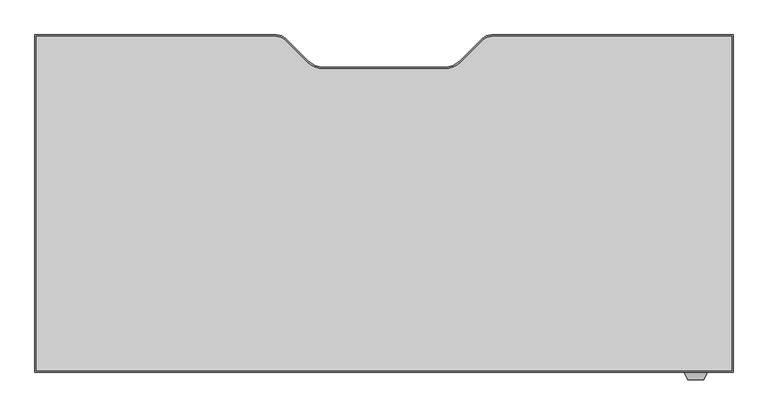
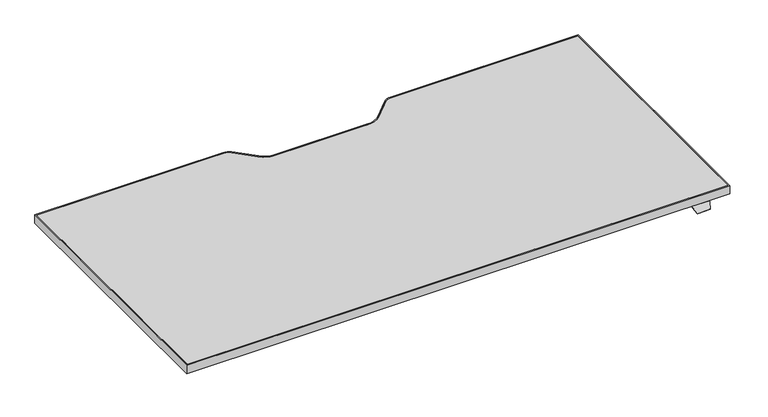
"""IFC4 building model written with IfcOpenShell, lengths in millimetres: furniture geometry."""

from ifc_helpers import new_model, si_unit, point, frame, frame_2d, origin, place, context, project, spatial, polyline, circle_curve, trimmed, segment, composite_curve, outline, extrude, faceted_brep, source, transform, mapped, element, save


def furniture_6a4a3042(model_context):
    return source(origin(), model_context, "Body", "SolidModel", [
        faceted_brep([(316.0177913, -465.8301693, 760.9984131), (316.0177913, -463.3074599, 760.9984131), (316.0177913, -463.3074599, 762.4), (316.0177913, -465.8490853, 762.4), (316.0177913, -467.1594921, 761.3004382), (316.0177913, -467.1594921, 759.8829789), (266.4448135, -465.8490853, 762.4), (266.4448135, -463.3074599, 762.4), (266.4448135, -463.3074599, 760.9984131), (266.4448135, -465.8301693, 760.9984131), (266.4448135, -467.1594921, 759.8829789), (266.4448135, -467.1594921, 761.3004382), (309.0358363, -482.1323429, 748.7367246), (273.4267685, -482.1323429, 748.7367246), (273.0673686, -481.3616074, 747.9659891), (309.3952362, -481.3616074, 747.9659891)], [[[0, 1, 2, 3, 4, 5]], [[6, 7, 8, 9, 10, 11]], [[12, 13, 14, 15]], [[9, 0, 5, 15, 14, 10]], [[1, 0, 9, 8]], [[2, 1, 8, 7]], [[3, 2, 7, 6]], [[3, 6, 11, 13, 12, 4]], [[5, 4, 12, 15]], [[11, 10, 14, 13]]]),
        extrude(outline(composite_curve([segment(polyline([(-1151.2285908, 270.7509147), (-623.9070191, 270.7509147)]), True, "CONTINUOUS"), segment(trimmed(circle_curve(frame_2d((-623.9070191, 242.0489147)), 28.702), [point((-623.9070191, 270.7509147))], [point((-603.6116402, 262.3442935))], False, "CARTESIAN"), True, "CONTINUOUS"), segment(polyline([(-603.6116402, 262.3442935), (-556.0972358, 214.8298891)]), True, "CONTINUOUS"), segment(trimmed(circle_curve(frame_2d((-520.1762113, 250.7509136)), 50.8), [point((-556.0972358, 214.8298891))], [point((-520.1762113, 199.9509136))], True, "CARTESIAN"), True, "CONTINUOUS"), segment(polyline([(-520.1762113, 199.9509136), (-258.2809703, 199.9509136)]), True, "CONTINUOUS"), segment(trimmed(circle_curve(frame_2d((-258.2809703, 250.7509136)), 50.8), [point((-258.2809703, 199.9509136))], [point((-222.3599458, 214.8298891))], True, "CARTESIAN"), True, "CONTINUOUS"), segment(polyline([(-222.3599458, 214.8298891), (-174.8455414, 262.3442935)]), True, "CONTINUOUS"), segment(trimmed(circle_curve(frame_2d((-154.5501625, 242.0489147)), 28.702), [point((-174.8455414, 262.3442935))], [point((-154.5501625, 270.7509147))], False, "CARTESIAN"), True, "CONTINUOUS"), segment(polyline([(-154.5501625, 270.7509147), (372.7714092, 270.7509147), (372.7714092, -465.8490853), (-1151.2285908, -465.8490853), (-1151.2285908, 270.7509147)]), True, "CONTINUOUS")], self_intersect=False), holes=[composite_curve([segment(polyline([(-1147.8487543, 267.4489147), (-1147.8487543, -462.5470853), (369.4694092, -462.5470853), (369.4694092, 267.4489147), (-154.5501625, 267.4489147)]), True, "CONTINUOUS"), segment(trimmed(circle_curve(frame_2d((-154.5501625, 242.0489147)), 25.4), [point((-154.5501625, 267.4489147))], [point((-172.5106748, 260.0094269))], True, "CARTESIAN"), True, "CONTINUOUS"), segment(polyline([(-172.5106748, 260.0094269), (-220.527602, 211.9924998)]), True, "CONTINUOUS"), segment(trimmed(circle_curve(frame_2d((-256.4486265, 247.9135242)), 50.8), [point((-220.527602, 211.9924998))], [point((-256.4486265, 197.1135242))], False, "CARTESIAN"), True, "CONTINUOUS"), segment(polyline([(-256.4486265, 197.1135242), (-389.2285908, 197.1135242), (-522.0085552, 197.1135242)]), True, "CONTINUOUS"), segment(trimmed(circle_curve(frame_2d((-522.0085552, 247.9135242)), 50.8), [point((-522.0085552, 197.1135242))], [point((-557.9295796, 211.9924998))], False, "CARTESIAN"), True, "CONTINUOUS"), segment(polyline([(-557.9295796, 211.9924998), (-605.9465068, 260.0094269)]), True, "CONTINUOUS"), segment(trimmed(circle_curve(frame_2d((-623.9070191, 242.0489147)), 25.4), [point((-605.9465068, 260.0094269))], [point((-623.9070191, 267.4489147))], True, "CARTESIAN"), True, "CONTINUOUS"), segment(polyline([(-623.9070191, 267.4489147), (-1147.8487543, 267.4489147)]), True, "CONTINUOUS")], self_intersect=False)]), frame((0.0, 0.0, 762.4), z_axis=(0.0, 0.0, 1.0), x_axis=(1.0, 0.0, 0.0)), (0.0, 0.0, 1.0), 25.0),
        extrude(outline(composite_curve([segment(polyline([(-1147.8487543, 267.4489147), (-623.9070191, 267.4489147)]), True, "CONTINUOUS"), segment(trimmed(circle_curve(frame_2d((-623.9070191, 242.0489147)), 25.4), [point((-623.9070191, 267.4489147))], [point((-605.9465068, 260.0094269))], False, "CARTESIAN"), True, "CONTINUOUS"), segment(polyline([(-605.9465068, 260.0094269), (-557.9295796, 211.9924998)]), True, "CONTINUOUS"), segment(trimmed(circle_curve(frame_2d((-522.0085552, 247.9135242)), 50.8), [point((-557.9295796, 211.9924998))], [point((-522.0085552, 197.1135242))], True, "CARTESIAN"), True, "CONTINUOUS"), segment(polyline([(-522.0085552, 197.1135242), (-389.2285908, 197.1135242), (-256.4486265, 197.1135242)]), True, "CONTINUOUS"), segment(trimmed(circle_curve(frame_2d((-256.4486265, 247.9135242)), 50.8), [point((-256.4486265, 197.1135242))], [point((-220.527602, 211.9924998))], True, "CARTESIAN"), True, "CONTINUOUS"), segment(polyline([(-220.527602, 211.9924998), (-172.5106748, 260.0094269)]), True, "CONTINUOUS"), segment(trimmed(circle_curve(frame_2d((-154.5501625, 242.0489147)), 25.4), [point((-172.5106748, 260.0094269))], [point((-154.5501625, 267.4489147))], False, "CARTESIAN"), True, "CONTINUOUS"), segment(polyline([(-154.5501625, 267.4489147), (369.4694092, 267.4489147), (369.4694092, -462.5470853), (-1147.8487543, -462.5470853), (-1147.8487543, 267.4489147)]), True, "CONTINUOUS")], self_intersect=False)), frame((0.0, 0.0, 762.4), z_axis=(0.0, 0.0, 1.0), x_axis=(1.0, 0.0, 0.0)), (0.0, 0.0, 1.0), 25.0),
    ])


if __name__ == "__main__":
    model = new_model("IFC4")
    model_context = context("Model", 3, world=origin())
    ifc_project = project(units=[si_unit("LENGTHUNIT", "METRE", prefix="MILLI")], contexts=[model_context])
    site = spatial("IfcSite", under=ifc_project)
    building = spatial("IfcBuilding", under=site)
    placement = place(None, origin())
    furniture_shape = furniture_6a4a3042(model_context)
    element("IfcFurniture", 1, at=placement, inside=building, context=model_context, shape_type="MappedRepresentation", body=[
        mapped(furniture_shape, transform((0.0, 0.0, 0.0), x_axis=(1.0, 0.0, 0.0), y_axis=(0.0, 1.0, 0.0), z_axis=(0.0, 0.0, 1.0))),
    ])
    save(model, "model.ifc")
